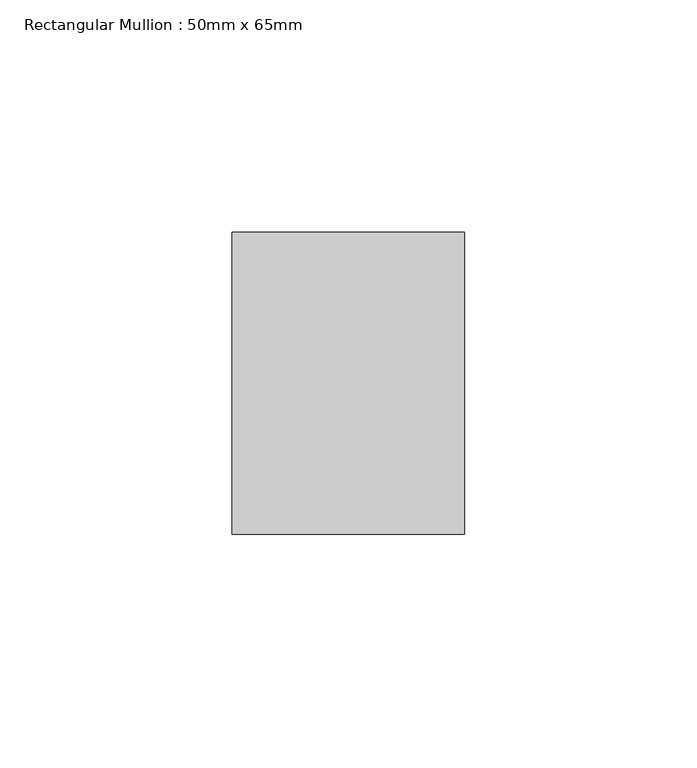
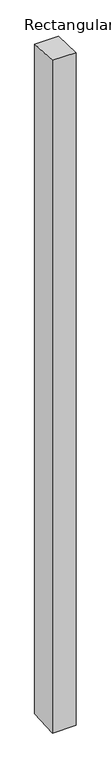
"""IFC4 building model written with IfcOpenShell, lengths in millimetres: member geometry, Rectangular Mullion : 50mm x 65mm."""

from ifc_helpers import new_model, si_unit, origin, place, context, project, spatial, faceted_brep, source, transform, mapped, element, save


def rectangular_mullion_50mm_x_65mm_46ea1da9(model_context):
    return source(origin(), model_context, "Body", "Brep", [
        faceted_brep([(-25.0, 32.5, -1.4676676), (25.0, 32.5, -1.4676834), (25.0, 32.5, -1498.1019928), (-25.0, 32.5, -1498.1020132), (-25.0, -32.5, 1.4676834), (-25.0, -32.5, -1501.8977572), (25.0, -32.5, 1.4676676), (25.0, -32.5, -1501.8977368)], [[[0, 1, 2, 3]], [[4, 0, 3, 5]], [[6, 4, 5, 7]], [[1, 6, 7, 2]], [[1, 0, 4, 6]], [[2, 7, 5, 3]]]),
    ])


if __name__ == "__main__":
    model = new_model("IFC4")
    model_context = context("Model", 3, world=origin())
    ifc_project = project(units=[si_unit("LENGTHUNIT", "METRE", prefix="MILLI")], contexts=[model_context])
    site = spatial("IfcSite", under=ifc_project)
    building = spatial("IfcBuilding", under=site)
    placement = place(None, origin())
    rectangular_mullion_50mm_x_65mm_shape = rectangular_mullion_50mm_x_65mm_46ea1da9(model_context)
    element("IfcMember", 1, ObjectType="Rectangular Mullion : 50mm x 65mm", at=placement, inside=building, context=model_context, shape_type="MappedRepresentation", body=[
        mapped(rectangular_mullion_50mm_x_65mm_shape, transform((0.0, 0.0, 0.0), x_axis=(1.0, 0.0, 0.0), y_axis=(0.0, 1.0, 0.0), z_axis=(0.0, 0.0, 1.0))),
    ])
    save(model, "model.ifc")
